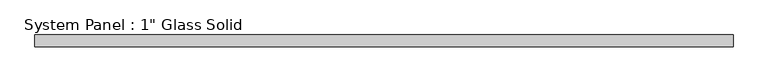
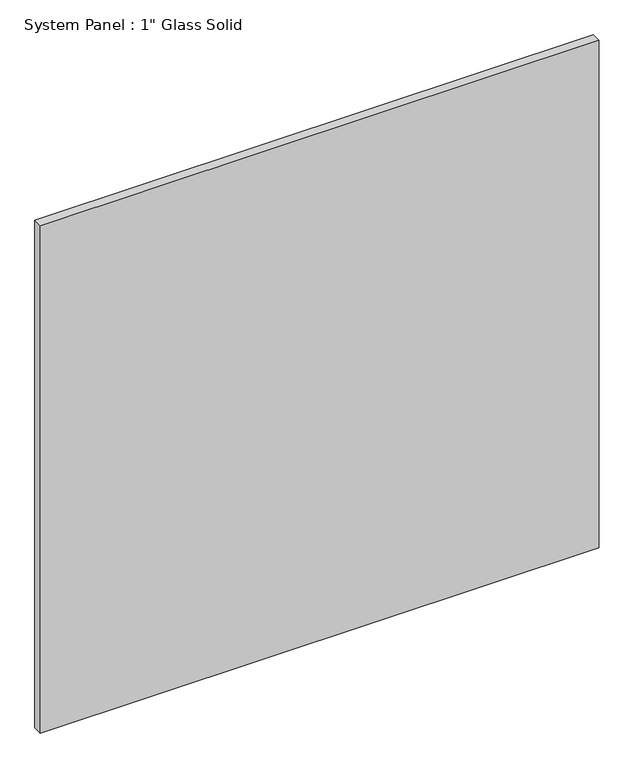
"""IFC4 building model written with IfcOpenShell, lengths in millimetres: plate geometry."""

from ifc_helpers import new_model, si_unit, origin, origin_with_axes, place, context, project, spatial, polyline, outline, extrude, source, transform, mapped, element, save


def plate_e82f38fc(model_context):
    return source(origin(), model_context, "Body", "SweptSolid", [
        extrude(outline(polyline([(740.8342185, -12.7), (-740.8342185, -12.7), (-740.8342185, 12.7), (740.8342185, 12.7), (740.8342185, -12.7)])), origin_with_axes(), (0.0, 0.0, 1.0), 1422.2911731),
    ])


if __name__ == "__main__":
    model = new_model("IFC4")
    model_context = context("Model", 3, world=origin())
    ifc_project = project(units=[si_unit("LENGTHUNIT", "METRE", prefix="MILLI")], contexts=[model_context])
    site = spatial("IfcSite", under=ifc_project)
    building = spatial("IfcBuilding", under=site)
    placement = place(None, origin())
    plate_shape = plate_e82f38fc(model_context)
    element("IfcPlate", 1, ObjectType="System Panel : 1\" Glass Solid", at=placement, inside=building, context=model_context, shape_type="MappedRepresentation", body=[
        mapped(plate_shape, transform((0.0, 0.0, 0.0), x_axis=(1.0, 0.0, 0.0), y_axis=(0.0, 1.0, 0.0), z_axis=(0.0, 0.0, 1.0))),
    ])
    save(model, "model.ifc")
